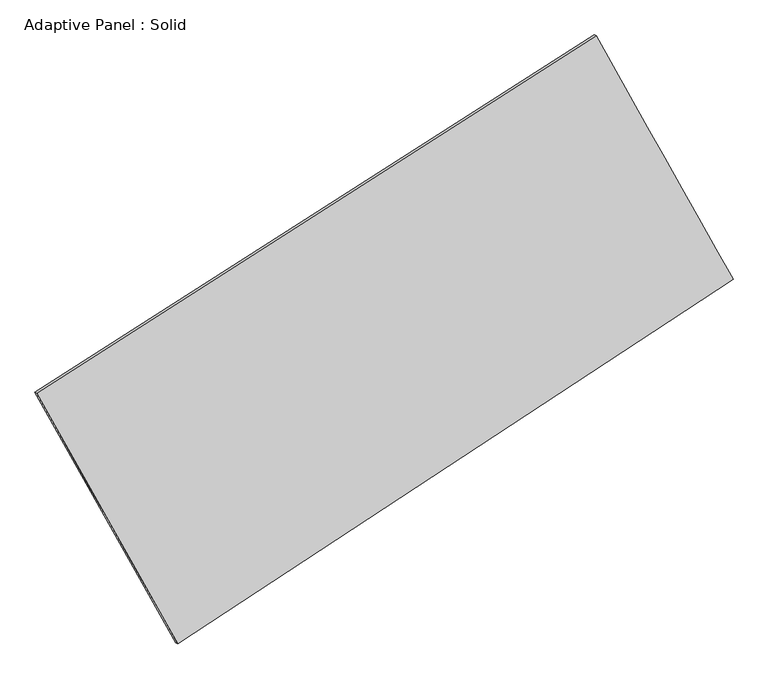
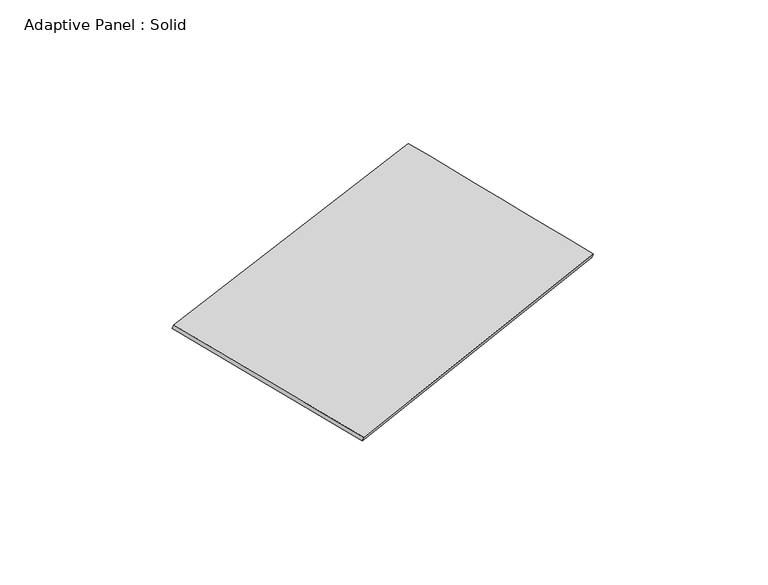
"""IFC4 building model written with IfcOpenShell, lengths in millimetres: plate geometry, Adaptive Panel : Solid."""

from ifc_helpers import new_model, si_unit, frame, origin, place, context, project, spatial, source, transform, mapped, element, save
from ifc_brep_helpers import plane_surface, spline_surface, advanced_brep


def adaptive_panel_solid_b10fd9e3(model_context):
    return source(origin(), model_context, "Body", "AdvancedBrep", [
        advanced_brep(
        [(1180.1172926, 2532.4361112, 662.5604837), (-3692.3629996, -580.6620092, 1744.7019641), (-3677.6966438, -587.0421026, 1792.0748722), (1194.7836484, 2526.0560177, 709.9333917), (-2463.9356565, -2761.817887, 1077.6229695), (-2449.2693007, -2768.1979805, 1124.9958775), (2372.8907854, 409.7952122, 0.2371029), (2387.5571412, 403.4151187, 47.6100109)],
        [
            (0, 1),
            (1, 2),
            (2, 3),
            (3, 0),
            (1, 4),
            (4, 5),
            (5, 2),
            (4, 6),
            (6, 7),
            (7, 5),
            (6, 0),
            (3, 7),
        ],
        [
            plane_surface(frame((-1256.1228535, 975.887051, 1203.6312239), z_axis=(-0.4779366352290701, 0.8387453514460576, 0.26092682524712607), x_axis=(-0.828304915210977, -0.5292159885680711, 0.18396033507594917))),
            plane_surface(frame((-3078.1493281, -1671.2399481, 1411.1624668), z_axis=(-0.8305565101503222, -0.5247949899110276, 0.18645670277896326), x_axis=(0.47417721069327473, -0.8419337261119103, -0.25749480323777557))),
            plane_surface(frame((-45.5224355, -1176.0113374, 538.9300362), z_axis=(0.4873848800753129, -0.8326296283495853, -0.26302828872272355), x_axis=(0.8221095936601358, 0.5390752774770277, -0.18312198454863934))),
            plane_surface(frame((1776.504039, 1471.1156617, 331.3987933), z_axis=(0.8305172723425237, 0.5248647357156371, -0.18643516176646707), x_axis=(-0.4727059373535687, 0.8412200319797042, 0.26248419873727524))),
            spline_surface(1, 1, [[(-3677.6966438, -587.0421026, 1792.0748722), (1194.7836484, 2526.0560177, 709.9333917)], [(-2449.2693007, -2768.1979805, 1124.9958775), (2387.5571412, 403.4151187, 47.6100109)]], [2, 2], [2, 2], [0.0, 1.0], [0.0, 1.0]),
            spline_surface(1, 1, [[(2372.8907854, 409.7952122, 0.2371029), (1180.1172926, 2532.4361112, 662.5604837)], [(-2463.9356565, -2761.817887, 1077.6229695), (-3692.3629996, -580.6620092, 1744.7019641)]], [2, 2], [2, 2], [0.0, 1.0], [0.0, 1.0]),
        ],
        [
            (0, [[1, 2, 3, 4]]),
            (1, [[5, 6, 7, -2]]),
            (2, [[8, 9, 10, -6]]),
            (3, [[11, -4, 12, -9]]),
            (4, [[-3, -7, -10, -12]]),
            (5, [[-11, -8, -5, -1]]),
        ],
    ),
    ])


if __name__ == "__main__":
    model = new_model("IFC4")
    model_context = context("Model", 3, world=origin())
    ifc_project = project(units=[si_unit("LENGTHUNIT", "METRE", prefix="MILLI")], contexts=[model_context])
    site = spatial("IfcSite", under=ifc_project)
    building = spatial("IfcBuilding", under=site)
    placement = place(None, origin())
    adaptive_panel_solid_shape = adaptive_panel_solid_b10fd9e3(model_context)
    element("IfcPlate", 1, ObjectType="Adaptive Panel : Solid", at=placement, inside=building, context=model_context, shape_type="MappedRepresentation", body=[
        mapped(adaptive_panel_solid_shape, transform((0.0, 0.0, 0.0), x_axis=(1.0, 0.0, 0.0), y_axis=(0.0, 1.0, 0.0), z_axis=(0.0, 0.0, 1.0))),
    ])
    save(model, "model.ifc")
